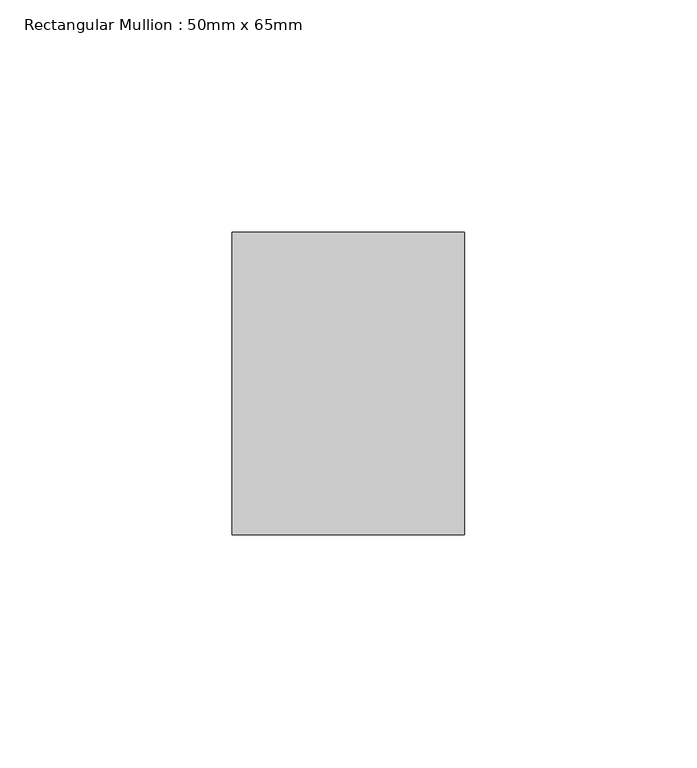
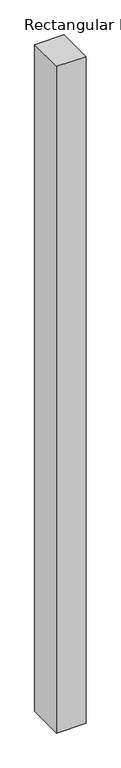
"""IFC4 building model written with IfcOpenShell, lengths in millimetres: member geometry, Rectangular Mullion : 50mm x 65mm."""

from ifc_helpers import new_model, si_unit, frame, origin, place, context, project, spatial, polyline, outline, extrude, source, transform, mapped, element, save


def rectangular_mullion_50mm_x_65mm_1f97dd8d(model_context):
    return source(origin(), model_context, "Body", "SweptSolid", [
        extrude(outline(polyline([(25.0, 32.5), (25.0, -32.5), (-25.0, -32.5), (-25.0, 32.5), (25.0, 32.5)])), frame((0.0, 0.0, -1205.1793353), z_axis=(0.0, 0.0, 1.0), x_axis=(1.0, 0.0, 0.0)), (0.0, 0.0, 1.0), 1205.1793353),
    ])


if __name__ == "__main__":
    model = new_model("IFC4")
    model_context = context("Model", 3, world=origin())
    ifc_project = project(units=[si_unit("LENGTHUNIT", "METRE", prefix="MILLI")], contexts=[model_context])
    site = spatial("IfcSite", under=ifc_project)
    building = spatial("IfcBuilding", under=site)
    placement = place(None, origin())
    rectangular_mullion_50mm_x_65mm_shape = rectangular_mullion_50mm_x_65mm_1f97dd8d(model_context)
    element("IfcMember", 1, ObjectType="Rectangular Mullion : 50mm x 65mm", at=placement, inside=building, context=model_context, shape_type="MappedRepresentation", body=[
        mapped(rectangular_mullion_50mm_x_65mm_shape, transform((0.0, 0.0, 0.0), x_axis=(1.0, 0.0, 0.0), y_axis=(0.0, 1.0, 0.0), z_axis=(0.0, 0.0, 1.0))),
    ])
    save(model, "model.ifc")
